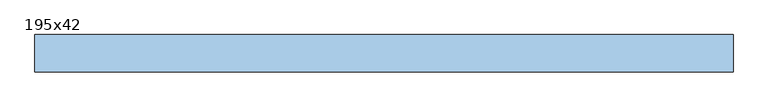
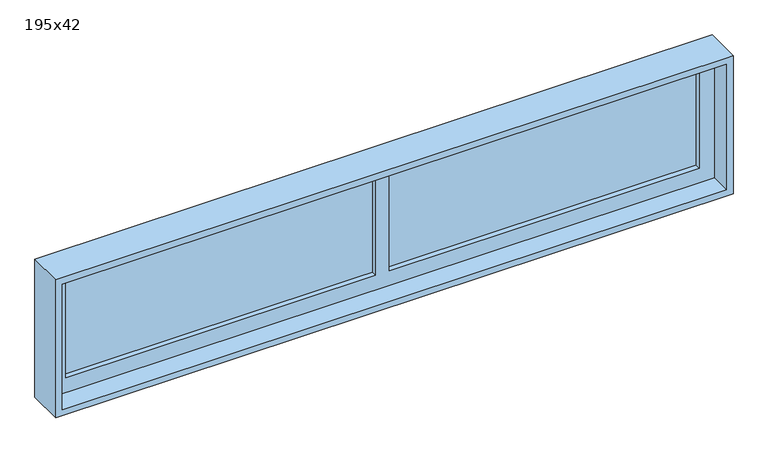
"""IFC4 building model written with IfcOpenShell, lengths in millimetres: window geometry, 195x42."""

from ifc_helpers import new_model, si_unit, frame, origin, place, context, project, spatial, polyline, outline, extrude, faceted_brep, source, transform, mapped, element, save


def window_195x42_7b08ba23(model_context):
    return source(origin(), model_context, "Body", "SolidModel", [
        extrude(outline(polyline([(873.4, -111.425), (873.4, -124.125), (-949.6, -124.125), (-949.6, -111.425), (873.4, -111.425)])), frame((0.0, 0.0, 977.9), z_axis=(0.0, 0.0, 1.0), x_axis=(1.0, 0.0, 0.0)), (0.0, 0.0, 1.0), 297.45),
        faceted_brep([(917.85, -140.0, 1315.35), (-18.1, -140.0, 1315.35), (-58.1, -140.0, 1315.35), (-994.05, -140.0, 1315.35), (-994.05, -140.0, 933.45), (917.85, -140.0, 933.45), (873.4, -140.0, 977.9), (-18.1, -140.0, 977.9), (-18.1, -140.0, 1275.35), (873.4, -140.0, 1275.35), (-949.6, -140.0, 1275.35), (-58.1, -140.0, 1275.35), (-58.1, -140.0, 977.9), (-949.6, -140.0, 977.9), (-949.6, -95.55, 977.9), (-949.6, -95.55, 1275.35), (-58.1, -95.55, 977.9), (873.4, -95.55, 977.9), (-18.1, -95.55, 977.9), (-58.1, -95.55, 1275.35), (873.4, -95.55, 1275.35), (-18.1, -95.55, 1275.35), (917.85, -200.0, 1315.35), (917.85, -200.0, 933.45), (-994.05, -200.0, 933.45), (-994.05, -200.0, 1315.35), (936.9, -95.55, 1334.4), (936.9, -95.55, 914.4), (-1013.1, -95.55, 914.4), (-1013.1, -95.55, 1334.4), (-1013.1, -200.0, 914.4), (-1013.1, -200.0, 1334.4), (936.9, -200.0, 914.4), (936.9, -200.0, 1334.4)], [[[0, 1, 2, 3, 4, 5], [6, 7, 8, 9], [10, 11, 12, 13]], [[13, 14, 15, 10]], [[13, 12, 16, 14]], [[17, 18, 7, 6]], [[11, 19, 16, 12]], [[9, 20, 17, 6]], [[21, 8, 7, 18]], [[22, 0, 5, 23]], [[23, 5, 4, 24]], [[24, 4, 3, 25]], [[26, 27, 28, 29], [14, 16, 19, 15], [20, 21, 18, 17]], [[28, 30, 31, 29]], [[27, 32, 30, 28]], [[26, 33, 32, 27]], [[33, 31, 30, 32], [22, 23, 24, 25]], [[26, 29, 31, 33]], [[9, 8, 21, 20]], [[15, 19, 11, 10]], [[25, 3, 2, 1, 0, 22]]]),
    ])


if __name__ == "__main__":
    model = new_model("IFC4")
    model_context = context("Model", 3, world=origin())
    ifc_project = project(units=[si_unit("LENGTHUNIT", "METRE", prefix="MILLI")], contexts=[model_context])
    site = spatial("IfcSite", under=ifc_project)
    building = spatial("IfcBuilding", under=site)
    placement = place(None, origin())
    window_195x42_shape = window_195x42_7b08ba23(model_context)
    element("IfcWindow", 1, ObjectType="195x42", at=placement, inside=building, context=model_context, shape_type="MappedRepresentation", body=[
        mapped(window_195x42_shape, transform((0.0, 0.0, 0.0), x_axis=(1.0, 0.0, 0.0), y_axis=(0.0, 1.0, 0.0), z_axis=(0.0, 0.0, 1.0))),
    ])
    save(model, "model.ifc")
